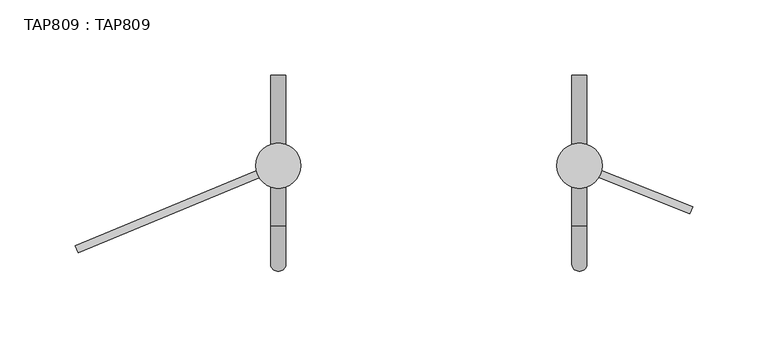
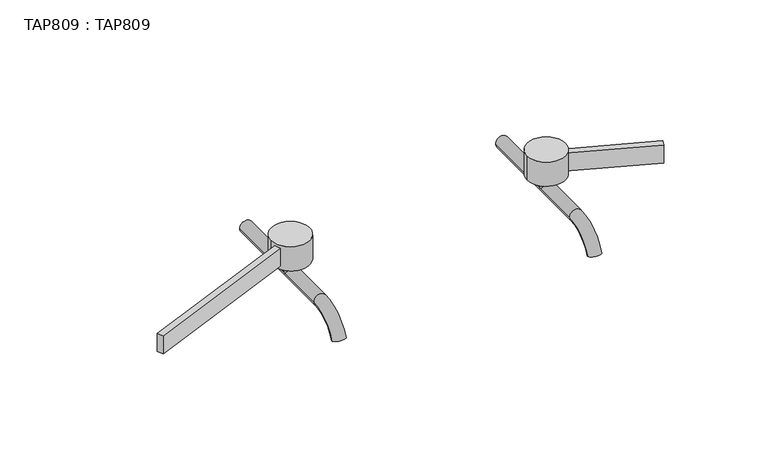
"""IFC4 building model written with IfcOpenShell, lengths in millimetres: proxy geometry, TAP809 : TAP809."""

import ifcopenshell
import ifcopenshell.guid

model = None  # the IFC model being written
_history = None  # IfcOwnerHistory: only IFC2X3 demands one
_inside = {}  # id of a spatial element -> (the spatial element, [elements in it])
_under = {}  # id of a project, library or spatial element -> (it, [spatial elements below it])
_declared = {}  # id of a project -> (the project, [libraries it declares])
_typed = {}  # id of a type object -> (the type object, [elements of that type])
_made_of = {}  # id of a material, layer set ... -> (it, [elements and type objects made of it])


def new_model(schema):
    """Start an empty IFC model of exactly this schema.

    Asked for "IFC4X3", IfcOpenShell would pick the latest addendum, in which some entities
    have other attributes; the version numbers below select the first issue.
    IFC2X3 requires an IfcOwnerHistory on every rooted entity: one is made here for all.
    """
    global model, _history
    if schema == "IFC4X3":
        model = ifcopenshell.file(schema_version=(4, 3, 0, 0))
    else:
        model = ifcopenshell.file(schema=schema)
    _inside.clear()
    _under.clear()
    _declared.clear()
    _typed.clear()
    _made_of.clear()
    _history = None
    if model.schema == "IFC2X3":
        org = make("IfcOrganization", Name="unknown")
        user = make(
            "IfcPersonAndOrganization",
            ThePerson=make("IfcPerson", FamilyName="unknown"),
            TheOrganization=org,
        )
        app = make(
            "IfcApplication",
            ApplicationDeveloper=org,
            Version="unknown",
            ApplicationFullName="unknown",
            ApplicationIdentifier="unknown",
        )
        _history = make(
            "IfcOwnerHistory",
            OwningUser=user,
            OwningApplication=app,
            ChangeAction="ADDED",
            CreationDate=0,
        )
    return model


def make(cls, **values):
    """One entity of the class cls with the attributes given. An attribute that is None is left unset."""
    return model.create_entity(
        cls, **{name: value for name, value in values.items() if value is not None}
    )


def rooted(cls, **values):
    """An entity with a GlobalId (a new one), such as an element, a storey or a relation."""
    return make(cls, GlobalId=ifcopenshell.guid.new(), OwnerHistory=_history, **values)


def si_unit(unit_type, name, prefix=None):
    """IfcSIUnit, for example si_unit("LENGTHUNIT", "METRE", prefix="MILLI")."""
    return make("IfcSIUnit", UnitType=unit_type, Prefix=prefix, Name=name)


def assignment(units):
    """IfcUnitAssignment: the units of a project."""
    return None if units is None else make("IfcUnitAssignment", Units=units)


def point(xyz):
    """IfcCartesianPoint."""
    return None if xyz is None else make("IfcCartesianPoint", Coordinates=xyz)


def direction(xyz):
    """IfcDirection."""
    return None if xyz is None else make("IfcDirection", DirectionRatios=xyz)


def frame(location, z_axis=None, x_axis=None):
    """IfcAxis2Placement3D, a coordinate frame: its origin and axes. An axis left out is left unset."""
    return make(
        "IfcAxis2Placement3D",
        Location=point(location),
        Axis=direction(z_axis),
        RefDirection=direction(x_axis),
    )


def frame_2d(location, x_axis=None):
    """IfcAxis2Placement2D, a coordinate frame in the plane: its origin and x axis."""
    return make(
        "IfcAxis2Placement2D", Location=point(location), RefDirection=direction(x_axis)
    )


def origin():
    """The frame at (0, 0, 0) with its axes left unset."""
    return frame((0.0, 0.0, 0.0))


def place(relative_to, where):
    """IfcLocalPlacement: puts the frame where relative to a parent placement (None: the world)."""
    return make(
        "IfcLocalPlacement", PlacementRelTo=relative_to, RelativePlacement=where
    )


def context(
    kind, dimensions, precision=None, world=None, true_north=None, identifier=None
):
    """IfcGeometricRepresentationContext, for example the 3D "Model" context."""
    return make(
        "IfcGeometricRepresentationContext",
        ContextIdentifier=identifier,
        ContextType=kind,
        CoordinateSpaceDimension=dimensions,
        Precision=precision,
        WorldCoordinateSystem=world,
        TrueNorth=true_north,
    )


def project(units=None, contexts=None):
    """IfcProject with its units and contexts."""
    return rooted(
        "IfcProject",
        Name="project",
        RepresentationContexts=contexts,
        UnitsInContext=assignment(units),
    )


def spatial(cls, under=None, at=None, **own):
    """A site, building, storey or space (cls), placed at a placement, below another one or the project."""
    s = rooted(cls, ObjectPlacement=at, **own)
    if under is not None:
        _under.setdefault(under.id(), (under, []))[1].append(s)
    return s


def polyline(points):
    """IfcPolyline through the points."""
    return make("IfcPolyline", Points=[point(p) for p in points])


def circle_curve(where, radius):
    """IfcCircle in the frame where."""
    return make("IfcCircle", Position=where, Radius=radius)


def ellipse_curve(where, semi_axis1, semi_axis2):
    """IfcEllipse in the frame where."""
    return make(
        "IfcEllipse", Position=where, SemiAxis1=semi_axis1, SemiAxis2=semi_axis2
    )


def trimmed(basis, trim1, trim2, sense, master):
    """IfcTrimmedCurve: the piece of a basis curve between two trims."""
    return make(
        "IfcTrimmedCurve",
        BasisCurve=basis,
        Trim1=trim1,
        Trim2=trim2,
        SenseAgreement=sense,
        MasterRepresentation=master,
    )


def segment(curve, same_sense, transition):
    """IfcCompositeCurveSegment."""
    return make(
        "IfcCompositeCurveSegment",
        Transition=transition,
        SameSense=same_sense,
        ParentCurve=curve,
    )


def composite_curve(segments, self_intersect=None):
    """IfcCompositeCurve: segments joined end to end."""
    return make("IfcCompositeCurve", Segments=segments, SelfIntersect=self_intersect)


def outline(outer, holes=None, kind="AREA"):
    """IfcArbitraryClosedProfileDef: a profile drawn as a closed curve; with holes, ...WithVoids."""
    if holes is None:
        return make("IfcArbitraryClosedProfileDef", ProfileType=kind, OuterCurve=outer)
    return make(
        "IfcArbitraryProfileDefWithVoids",
        ProfileType=kind,
        OuterCurve=outer,
        InnerCurves=holes,
    )


def extrude(swept, where, along, depth):
    """IfcExtrudedAreaSolid: the profile swept, set in the frame where, extruded along a direction by depth."""
    return make(
        "IfcExtrudedAreaSolid",
        SweptArea=swept,
        Position=where,
        ExtrudedDirection=direction(along),
        Depth=depth,
    )


def shape(context_of_items, identifier, shape_type, items):
    """IfcShapeRepresentation: the items that make up one representation, for example the "Body"."""
    return make(
        "IfcShapeRepresentation",
        ContextOfItems=context_of_items,
        RepresentationIdentifier=identifier,
        RepresentationType=shape_type,
        Items=items,
    )


def source(mapping_origin, context_of_items, identifier, shape_type, items):
    """IfcRepresentationMap: a shape defined once, which mapped items show again and again."""
    return make(
        "IfcRepresentationMap",
        MappingOrigin=mapping_origin,
        MappedRepresentation=shape(context_of_items, identifier, shape_type, items),
    )


def transform(
    local_origin,
    x_axis=None,
    y_axis=None,
    z_axis=None,
    scale=None,
    scale2=None,
    scale3=None,
    uniform=True,
):
    """IfcCartesianTransformationOperator3D, or its non-uniform kind. x_axis, y_axis, z_axis: its Axis1, 2, 3."""
    if uniform:
        return make(
            "IfcCartesianTransformationOperator3D",
            Axis1=direction(x_axis),
            Axis2=direction(y_axis),
            LocalOrigin=point(local_origin),
            Scale=scale,
            Axis3=direction(z_axis),
        )
    return make(
        "IfcCartesianTransformationOperator3DnonUniform",
        Axis1=direction(x_axis),
        Axis2=direction(y_axis),
        LocalOrigin=point(local_origin),
        Scale=scale,
        Axis3=direction(z_axis),
        Scale2=scale2,
        Scale3=scale3,
    )


def mapped(mapping_source, mapping_target):
    """IfcMappedItem: shows the shape of a source again, moved by a transform."""
    return make(
        "IfcMappedItem", MappingSource=mapping_source, MappingTarget=mapping_target
    )


def made_of(thing, what):
    """Note that an element or type object is made of a material, layer set ...; save() writes the relation."""
    if what is not None:
        _made_of.setdefault(what.id(), (what, []))[1].append(thing)
    return thing


def element(
    cls,
    number,
    at=None,
    inside=None,
    cuts=None,
    type_object=None,
    material=None,
    context=None,
    identifier="Body",
    shape_type=None,
    held_by="IfcProductDefinitionShape",
    body=None,
    shapes=None,
    **own,
):
    """One element of the class cls, such as IfcWall. Its Tag is "e" and its number.

    at: its placement. inside: the storey or other place that contains it. cuts: it is an
    opening in that element (IfcRelVoidsElement). A single representation is given by context,
    identifier, shape_type and body (its items); several are given by shapes. held_by: the class
    of the entity that holds the representations. save() writes the other relations.
    """
    e = rooted(cls, Tag="e%d" % number, ObjectPlacement=at, **own)
    if body is not None:
        shapes = [shape(context, identifier, shape_type, body)]
    if shapes is not None:
        e.Representation = make(held_by, Representations=shapes)
    if inside is not None:
        _inside.setdefault(inside.id(), (inside, []))[1].append(e)
    if cuts is not None:
        rooted(
            "IfcRelVoidsElement", RelatingBuildingElement=cuts, RelatedOpeningElement=e
        )
    if type_object is not None:
        _typed.setdefault(type_object.id(), (type_object, []))[1].append(e)
    return made_of(e, material)


def aggregate(whole, parts):
    """IfcRelAggregates: a whole, such as a stair, and the parts it consists of."""
    return rooted("IfcRelAggregates", RelatingObject=whole, RelatedObjects=parts)


def save(model, path):
    """Write the relations noted so far, then the file.

    IfcRelAggregates (storeys below a building ...), IfcRelContainedInSpatialStructure (elements
    in a storey), IfcRelDefinesByType, IfcRelAssociatesMaterial and IfcRelDeclares: one each for
    every whole, place, type object, material and project.
    """
    for whole, parts in _under.values():
        aggregate(whole, parts)
    for where, things in _inside.values():
        rooted(
            "IfcRelContainedInSpatialStructure",
            RelatedElements=things,
            RelatingStructure=where,
        )
    for kind, things in _typed.values():
        rooted("IfcRelDefinesByType", RelatedObjects=things, RelatingType=kind)
    for what, things in _made_of.values():
        rooted("IfcRelAssociatesMaterial", RelatedObjects=things, RelatingMaterial=what)
    for by, libraries in _declared.values():
        rooted("IfcRelDeclares", RelatingContext=by, RelatedDefinitions=libraries)
    model.write(path)


def plane_surface(at):
    """IfcPlane: the flat surface through the origin of the frame at, square to its z axis."""
    return make("IfcPlane", Position=at)


def cylinder_surface(at, radius):
    """IfcCylindricalSurface: all points at the distance radius from the z axis of the frame at."""
    return make("IfcCylindricalSurface", Position=at, Radius=radius)


def revolved_surface(curve, axis_point, axis_direction):
    """IfcSurfaceOfRevolution: the curve turned about the line through axis_point along axis_direction."""
    return make(
        "IfcSurfaceOfRevolution",
        SweptCurve=make("IfcArbitraryOpenProfileDef", ProfileType="CURVE", Curve=curve),
        AxisPosition=make("IfcAxis1Placement", Location=point(axis_point), Axis=direction(axis_direction)),
    )


def advanced_brep(points, edges, surfaces, faces):
    """IfcAdvancedBrep: a solid bounded by faces that lie on surfaces and meet in shared edges.

    An edge is (start, end): straight between two places in points (the first is 0);
    or (start, end, curve); or (start, end, curve, False) where it runs against its curve.
    A face is (place in surfaces, loops), or (place, loops, False) where it looks against
    its surface's normal. A loop lists edges by number (the first is 1), with a minus sign
    where the edge is run from its end to its start. The first loop is the outer one.
    """
    corners = [point(p) for p in points]
    vertices = [make("IfcVertexPoint", VertexGeometry=c) for c in corners]
    made = []
    for start, end, *more in edges:
        made.append(
            make(
                "IfcEdgeCurve",
                EdgeStart=vertices[start],
                EdgeEnd=vertices[end],
                EdgeGeometry=more[0] if more else make("IfcPolyline", Points=[corners[start], corners[end]]),
                SameSense=more[1] if len(more) > 1 else True,
            )
        )
    hull = []
    for where, loops, *sense in faces:
        bounds = []
        for j, loop in enumerate(loops):
            ring = [make("IfcOrientedEdge", EdgeElement=made[abs(k) - 1], Orientation=k > 0) for k in loop]
            bounds.append(
                make(
                    "IfcFaceOuterBound" if j == 0 else "IfcFaceBound",
                    Bound=make("IfcEdgeLoop", EdgeList=ring),
                    Orientation=True,
                )
            )
        hull.append(make("IfcAdvancedFace", Bounds=bounds, FaceSurface=surfaces[where], SameSense=sense[0] if sense else True))
    return make("IfcAdvancedBrep", Outer=make("IfcClosedShell", CfsFaces=hull))


def tap809_tap809_792c6e43(model_context):
    return source(origin(), model_context, "Body", "SolidModel", [
        extrude(outline(polyline([(0.9736556, 0.4046256), (-132.7999972, -55.1728478), (-134.7699987, -50.5828482), (-0.9779311, 5.0022758), (0.9736556, 0.4046256)])), frame((0.0, 0.0, 31.4), z_axis=(0.0, 0.0, 1.0), x_axis=(1.0, 0.0, 0.0)), (0.0, 0.0, 1.0), 15.0),
        extrude(outline(polyline([(199.0700074, 0.3871466), (200.9527355, 5.0838755), (275.2088442, -24.682386), (273.3261161, -29.3791149), (199.0700074, 0.3871466)])), frame((0.0, 0.0, 31.4), z_axis=(0.0, 0.0, 1.0), x_axis=(1.0, 0.0, 0.0)), (0.0, 0.0, 1.0), 15.0),
        extrude(outline(composite_curve([segment(trimmed(circle_curve(frame_2d((0.0, 2.7071495)), 5.0), [point((-5.0, 2.7071495))], [point((5.0, 2.7071495))], False, "CARTESIAN"), True, "CONTINUOUS"), segment(trimmed(circle_curve(frame_2d((0.0, 2.7071495)), 5.0), [point((5.0, 2.7071495))], [point((-5.0, 2.7071495))], False, "CARTESIAN"), True, "CONTINUOUS")], self_intersect=False)), frame((0.0, 0.0, 18.89), z_axis=(0.0, 0.0, 1.0), x_axis=(1.0, 0.0, 0.0)), (0.0, 0.0, 1.0), 10.0),
        extrude(outline(composite_curve([segment(trimmed(circle_curve(frame_2d((200.0000015, 2.7071472)), 4.9999985), [point((195.0000031, 2.7071472))], [point((205.0, 2.7071472))], False, "CARTESIAN"), True, "CONTINUOUS"), segment(trimmed(circle_curve(frame_2d((200.0000015, 2.7071472)), 4.9999985), [point((205.0, 2.7071472))], [point((195.0000031, 2.7071472))], False, "CARTESIAN"), True, "CONTINUOUS")], self_intersect=False)), frame((0.0, 0.0, 18.89), z_axis=(0.0, 0.0, 1.0), x_axis=(1.0, 0.0, 0.0)), (0.0, 0.0, 1.0), 10.0),
        extrude(outline(composite_curve([segment(trimmed(circle_curve(frame_2d((0.0, 2.7071495)), 15.0), [point((-15.0, 2.7071495))], [point((15.0, 2.7071495))], False, "CARTESIAN"), True, "CONTINUOUS"), segment(trimmed(circle_curve(frame_2d((0.0, 2.7071495)), 15.0), [point((15.0, 2.7071495))], [point((-15.0, 2.7071495))], False, "CARTESIAN"), True, "CONTINUOUS")], self_intersect=False)), frame((0.0, 0.0, 28.89), z_axis=(0.0, 0.0, 1.0), x_axis=(1.0, 0.0, 0.0)), (0.0, 0.0, 1.0), 20.0),
        extrude(outline(composite_curve([segment(trimmed(circle_curve(frame_2d((200.0, 2.7071434)), 15.0), [point((185.0, 2.7071434))], [point((215.0, 2.7071434))], False, "CARTESIAN"), True, "CONTINUOUS"), segment(trimmed(circle_curve(frame_2d((200.0, 2.7071434)), 15.0), [point((215.0, 2.7071434))], [point((185.0, 2.7071434))], False, "CARTESIAN"), True, "CONTINUOUS")], self_intersect=False)), frame((0.0, 0.0, 28.89), z_axis=(0.0, 0.0, 1.0), x_axis=(1.0, 0.0, 0.0)), (0.0, 0.0, 1.0), 20.0),
        advanced_brep(
        [(195.0, 62.7071481, 18.89), (205.0, 62.7071481, 18.89), (195.0, -37.2928527, 18.89), (205.0, -37.2928527, 18.89), (195.0, -62.8052363, 1.68168), (205.0, -62.8052363, 1.68168)],
        [
            (0, 1, circle_curve(frame((200.0, 62.7071481, 18.89), z_axis=(0.0, 1.0, 0.0), x_axis=(1.0, 0.0, 0.0)), 5.0)),
            (1, 0, circle_curve(frame((200.0, 62.7071481, 18.89), z_axis=(0.0, 1.0, 0.0), x_axis=(1.0, 0.0, 0.0)), 5.0)),
            (0, 2),
            (2, 3, circle_curve(frame((200.0, -37.2928527, 18.89), z_axis=(0.0, 1.0, 0.0), x_axis=(1.0, 0.0, 0.0)), 5.0)),
            (3, 1),
            (3, 2, circle_curve(frame((200.0, -37.2928527, 18.89), z_axis=(0.0, 1.0, 0.0), x_axis=(1.0, 0.0, 0.0)), 5.0)),
            (4, 5, circle_curve(frame((200.0, -62.8052363, 1.68168), z_axis=(0.0, -0.3746065934159313, -0.9271838545667795), x_axis=(1.0, 0.0, 0.0)), 5.0)),
            (5, 4, circle_curve(frame((200.0, -62.8052363, 1.68168), z_axis=(0.0, -0.3746065934159313, -0.9271838545667795), x_axis=(1.0, 0.0, 0.0)), 5.0)),
            (5, 3, circle_curve(frame((205.0, -37.2928527, -8.6259921), z_axis=(-1.0, 0.0, 0.0), x_axis=(0.0, 0.0, 1.0)), 27.5159921)),
            (2, 4, circle_curve(frame((195.0, -37.2928527, -8.6259921), z_axis=(1.0, 0.0, 0.0), x_axis=(0.0, 0.0, 1.0)), 27.5159921)),
        ],
        [
            plane_surface(frame((200.0, 62.7071481, 18.89), z_axis=(0.0, 1.0, 0.0), x_axis=(1.0, 0.0, 0.0))),
            cylinder_surface(frame((200.0, 62.7071481, 18.89), z_axis=(0.0, 1.0, 0.0), x_axis=(1.0, 0.0, 0.0)), 5.0),
            plane_surface(frame((200.0, -62.8052363, 1.68168), z_axis=(0.0, -0.3746065934159313, -0.9271838545667797), x_axis=(1.0, 0.0, 0.0))),
            revolved_surface(trimmed(ellipse_curve(frame((200.0, -37.2928527, 18.89), z_axis=(0.0, 1.0, 0.0), x_axis=(1.0, 0.0, 0.0)), 5.0, 5.0), [point((195.0, -37.2928527, 18.89))], [point((205.0, -37.2928527, 18.89))], True, "CARTESIAN"), (200.0, -37.2928527, -8.6259921), (1.0, 0.0, 0.0)),
            revolved_surface(trimmed(ellipse_curve(frame((200.0, -37.2928527, 18.89), z_axis=(0.0, 1.0, 0.0), x_axis=(1.0, 0.0, 0.0)), 5.0, 5.0), [point((205.0, -37.2928527, 18.89))], [point((195.0, -37.2928527, 18.89))], True, "CARTESIAN"), (200.0, -37.2928527, -8.6259921), (1.0, 0.0, 0.0)),
        ],
        [
            (0, [[1, 2]]),
            (1, [[-1, 3, 4, 5]]),
            (1, [[-2, -5, 6, -3]]),
            (2, [[7, 8]]),
            (3, [[9, -4, 10, -8]]),
            (4, [[-10, -6, -9, -7]]),
        ],
    ),
        advanced_brep(
        [(-5.0, 62.7071481, 18.89), (5.0, 62.7071481, 18.89), (-5.0, -37.2928527, 18.89), (5.0, -37.2928527, 18.89), (-5.0, -62.8052363, 1.68168), (5.0, -62.8052363, 1.68168)],
        [
            (0, 1, circle_curve(frame((0.0, 62.7071481, 18.89), z_axis=(0.0, 1.0, 0.0), x_axis=(1.0, 0.0, 0.0)), 5.0)),
            (1, 0, circle_curve(frame((0.0, 62.7071481, 18.89), z_axis=(0.0, 1.0, 0.0), x_axis=(1.0, 0.0, 0.0)), 5.0)),
            (0, 2),
            (2, 3, circle_curve(frame((0.0, -37.2928527, 18.89), z_axis=(0.0, 1.0, 0.0), x_axis=(1.0, 0.0, 0.0)), 5.0)),
            (3, 1),
            (3, 2, circle_curve(frame((0.0, -37.2928527, 18.89), z_axis=(0.0, 1.0, 0.0), x_axis=(1.0, 0.0, 0.0)), 5.0)),
            (4, 5, circle_curve(frame((0.0, -62.8052363, 1.68168), z_axis=(0.0, -0.3746065934159313, -0.9271838545667795), x_axis=(1.0, 0.0, 0.0)), 5.0)),
            (5, 4, circle_curve(frame((0.0, -62.8052363, 1.68168), z_axis=(0.0, -0.3746065934159313, -0.9271838545667795), x_axis=(1.0, 0.0, 0.0)), 5.0)),
            (5, 3, circle_curve(frame((5.0, -37.2928527, -8.6259921), z_axis=(-1.0, 0.0, 0.0), x_axis=(0.0, 0.0, 1.0)), 27.5159921)),
            (2, 4, circle_curve(frame((-5.0, -37.2928527, -8.6259921), z_axis=(1.0, 0.0, 0.0), x_axis=(0.0, 0.0, 1.0)), 27.5159921)),
        ],
        [
            plane_surface(frame((0.0, 62.7071481, 18.89), z_axis=(0.0, 1.0, 0.0), x_axis=(1.0, 0.0, 0.0))),
            cylinder_surface(frame((0.0, 62.7071481, 18.89), z_axis=(0.0, 1.0, 0.0), x_axis=(1.0, 0.0, 0.0)), 5.0),
            plane_surface(frame((0.0, -62.8052363, 1.68168), z_axis=(0.0, -0.3746065934159313, -0.9271838545667797), x_axis=(1.0, 0.0, 0.0))),
            revolved_surface(trimmed(ellipse_curve(frame((0.0, -37.2928527, 18.89), z_axis=(0.0, 1.0, 0.0), x_axis=(1.0, 0.0, 0.0)), 5.0, 5.0), [point((-5.0, -37.2928527, 18.89))], [point((5.0, -37.2928527, 18.89))], True, "CARTESIAN"), (0.0, -37.2928527, -8.6259921), (1.0, 0.0, 0.0)),
            revolved_surface(trimmed(ellipse_curve(frame((0.0, -37.2928527, 18.89), z_axis=(0.0, 1.0, 0.0), x_axis=(1.0, 0.0, 0.0)), 5.0, 5.0), [point((5.0, -37.2928527, 18.89))], [point((-5.0, -37.2928527, 18.89))], True, "CARTESIAN"), (0.0, -37.2928527, -8.6259921), (1.0, 0.0, 0.0)),
        ],
        [
            (0, [[1, 2]]),
            (1, [[-1, 3, 4, 5]]),
            (1, [[-2, -5, 6, -3]]),
            (2, [[7, 8]]),
            (3, [[9, -4, 10, -8]]),
            (4, [[-10, -6, -9, -7]]),
        ],
    ),
    ])


if __name__ == "__main__":
    model = new_model("IFC4")
    model_context = context("Model", 3, world=origin())
    ifc_project = project(units=[si_unit("LENGTHUNIT", "METRE", prefix="MILLI")], contexts=[model_context])
    site = spatial("IfcSite", under=ifc_project)
    building = spatial("IfcBuilding", under=site)
    placement = place(None, origin())
    tap809_tap809_shape = tap809_tap809_792c6e43(model_context)
    element("IfcBuildingElementProxy", 1, Name="TAP809 : TAP809", ObjectType="TAP809 : TAP809", at=placement, inside=building, context=model_context, shape_type="MappedRepresentation", body=[
        mapped(tap809_tap809_shape, transform((0.0, 0.0, 0.0), x_axis=(1.0, 0.0, 0.0), y_axis=(0.0, 1.0, 0.0), z_axis=(0.0, 0.0, 1.0))),
    ])
    save(model, "model.ifc")
